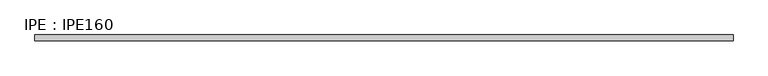
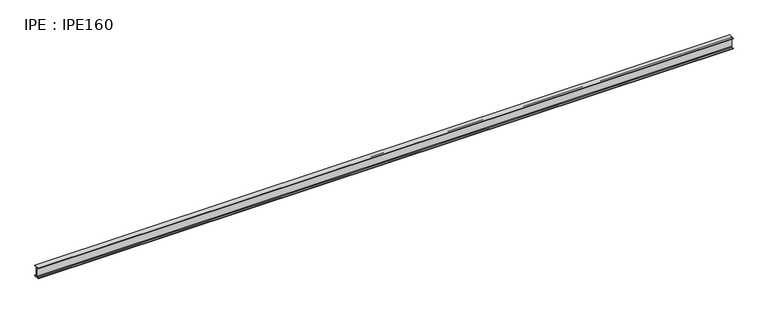
"""IFC4 building model written with IfcOpenShell, lengths in millimetres: beam geometry, IPE : IPE160."""

import ifcopenshell
import ifcopenshell.guid

model = None  # the IFC model being written
_history = None  # IfcOwnerHistory: only IFC2X3 demands one
_inside = {}  # id of a spatial element -> (the spatial element, [elements in it])
_under = {}  # id of a project, library or spatial element -> (it, [spatial elements below it])
_declared = {}  # id of a project -> (the project, [libraries it declares])
_typed = {}  # id of a type object -> (the type object, [elements of that type])
_made_of = {}  # id of a material, layer set ... -> (it, [elements and type objects made of it])


def new_model(schema):
    """Start an empty IFC model of exactly this schema.

    Asked for "IFC4X3", IfcOpenShell would pick the latest addendum, in which some entities
    have other attributes; the version numbers below select the first issue.
    IFC2X3 requires an IfcOwnerHistory on every rooted entity: one is made here for all.
    """
    global model, _history
    if schema == "IFC4X3":
        model = ifcopenshell.file(schema_version=(4, 3, 0, 0))
    else:
        model = ifcopenshell.file(schema=schema)
    _inside.clear()
    _under.clear()
    _declared.clear()
    _typed.clear()
    _made_of.clear()
    _history = None
    if model.schema == "IFC2X3":
        org = make("IfcOrganization", Name="unknown")
        user = make(
            "IfcPersonAndOrganization",
            ThePerson=make("IfcPerson", FamilyName="unknown"),
            TheOrganization=org,
        )
        app = make(
            "IfcApplication",
            ApplicationDeveloper=org,
            Version="unknown",
            ApplicationFullName="unknown",
            ApplicationIdentifier="unknown",
        )
        _history = make(
            "IfcOwnerHistory",
            OwningUser=user,
            OwningApplication=app,
            ChangeAction="ADDED",
            CreationDate=0,
        )
    return model


def make(cls, **values):
    """One entity of the class cls with the attributes given. An attribute that is None is left unset."""
    return model.create_entity(
        cls, **{name: value for name, value in values.items() if value is not None}
    )


def rooted(cls, **values):
    """An entity with a GlobalId (a new one), such as an element, a storey or a relation."""
    return make(cls, GlobalId=ifcopenshell.guid.new(), OwnerHistory=_history, **values)


def si_unit(unit_type, name, prefix=None):
    """IfcSIUnit, for example si_unit("LENGTHUNIT", "METRE", prefix="MILLI")."""
    return make("IfcSIUnit", UnitType=unit_type, Prefix=prefix, Name=name)


def assignment(units):
    """IfcUnitAssignment: the units of a project."""
    return None if units is None else make("IfcUnitAssignment", Units=units)


def point(xyz):
    """IfcCartesianPoint."""
    return None if xyz is None else make("IfcCartesianPoint", Coordinates=xyz)


def direction(xyz):
    """IfcDirection."""
    return None if xyz is None else make("IfcDirection", DirectionRatios=xyz)


def frame(location, z_axis=None, x_axis=None):
    """IfcAxis2Placement3D, a coordinate frame: its origin and axes. An axis left out is left unset."""
    return make(
        "IfcAxis2Placement3D",
        Location=point(location),
        Axis=direction(z_axis),
        RefDirection=direction(x_axis),
    )


def frame_2d(location, x_axis=None):
    """IfcAxis2Placement2D, a coordinate frame in the plane: its origin and x axis."""
    return make(
        "IfcAxis2Placement2D", Location=point(location), RefDirection=direction(x_axis)
    )


def origin():
    """The frame at (0, 0, 0) with its axes left unset."""
    return frame((0.0, 0.0, 0.0))


def place(relative_to, where):
    """IfcLocalPlacement: puts the frame where relative to a parent placement (None: the world)."""
    return make(
        "IfcLocalPlacement", PlacementRelTo=relative_to, RelativePlacement=where
    )


def context(
    kind, dimensions, precision=None, world=None, true_north=None, identifier=None
):
    """IfcGeometricRepresentationContext, for example the 3D "Model" context."""
    return make(
        "IfcGeometricRepresentationContext",
        ContextIdentifier=identifier,
        ContextType=kind,
        CoordinateSpaceDimension=dimensions,
        Precision=precision,
        WorldCoordinateSystem=world,
        TrueNorth=true_north,
    )


def project(units=None, contexts=None):
    """IfcProject with its units and contexts."""
    return rooted(
        "IfcProject",
        Name="project",
        RepresentationContexts=contexts,
        UnitsInContext=assignment(units),
    )


def spatial(cls, under=None, at=None, **own):
    """A site, building, storey or space (cls), placed at a placement, below another one or the project."""
    s = rooted(cls, ObjectPlacement=at, **own)
    if under is not None:
        _under.setdefault(under.id(), (under, []))[1].append(s)
    return s


def polyline(points):
    """IfcPolyline through the points."""
    return make("IfcPolyline", Points=[point(p) for p in points])


def circle_curve(where, radius):
    """IfcCircle in the frame where."""
    return make("IfcCircle", Position=where, Radius=radius)


def trimmed(basis, trim1, trim2, sense, master):
    """IfcTrimmedCurve: the piece of a basis curve between two trims."""
    return make(
        "IfcTrimmedCurve",
        BasisCurve=basis,
        Trim1=trim1,
        Trim2=trim2,
        SenseAgreement=sense,
        MasterRepresentation=master,
    )


def segment(curve, same_sense, transition):
    """IfcCompositeCurveSegment."""
    return make(
        "IfcCompositeCurveSegment",
        Transition=transition,
        SameSense=same_sense,
        ParentCurve=curve,
    )


def composite_curve(segments, self_intersect=None):
    """IfcCompositeCurve: segments joined end to end."""
    return make("IfcCompositeCurve", Segments=segments, SelfIntersect=self_intersect)


def outline(outer, holes=None, kind="AREA"):
    """IfcArbitraryClosedProfileDef: a profile drawn as a closed curve; with holes, ...WithVoids."""
    if holes is None:
        return make("IfcArbitraryClosedProfileDef", ProfileType=kind, OuterCurve=outer)
    return make(
        "IfcArbitraryProfileDefWithVoids",
        ProfileType=kind,
        OuterCurve=outer,
        InnerCurves=holes,
    )


def extrude(swept, where, along, depth):
    """IfcExtrudedAreaSolid: the profile swept, set in the frame where, extruded along a direction by depth."""
    return make(
        "IfcExtrudedAreaSolid",
        SweptArea=swept,
        Position=where,
        ExtrudedDirection=direction(along),
        Depth=depth,
    )


def shape(context_of_items, identifier, shape_type, items):
    """IfcShapeRepresentation: the items that make up one representation, for example the "Body"."""
    return make(
        "IfcShapeRepresentation",
        ContextOfItems=context_of_items,
        RepresentationIdentifier=identifier,
        RepresentationType=shape_type,
        Items=items,
    )


def source(mapping_origin, context_of_items, identifier, shape_type, items):
    """IfcRepresentationMap: a shape defined once, which mapped items show again and again."""
    return make(
        "IfcRepresentationMap",
        MappingOrigin=mapping_origin,
        MappedRepresentation=shape(context_of_items, identifier, shape_type, items),
    )


def transform(
    local_origin,
    x_axis=None,
    y_axis=None,
    z_axis=None,
    scale=None,
    scale2=None,
    scale3=None,
    uniform=True,
):
    """IfcCartesianTransformationOperator3D, or its non-uniform kind. x_axis, y_axis, z_axis: its Axis1, 2, 3."""
    if uniform:
        return make(
            "IfcCartesianTransformationOperator3D",
            Axis1=direction(x_axis),
            Axis2=direction(y_axis),
            LocalOrigin=point(local_origin),
            Scale=scale,
            Axis3=direction(z_axis),
        )
    return make(
        "IfcCartesianTransformationOperator3DnonUniform",
        Axis1=direction(x_axis),
        Axis2=direction(y_axis),
        LocalOrigin=point(local_origin),
        Scale=scale,
        Axis3=direction(z_axis),
        Scale2=scale2,
        Scale3=scale3,
    )


def mapped(mapping_source, mapping_target):
    """IfcMappedItem: shows the shape of a source again, moved by a transform."""
    return make(
        "IfcMappedItem", MappingSource=mapping_source, MappingTarget=mapping_target
    )


def made_of(thing, what):
    """Note that an element or type object is made of a material, layer set ...; save() writes the relation."""
    if what is not None:
        _made_of.setdefault(what.id(), (what, []))[1].append(thing)
    return thing


def element(
    cls,
    number,
    at=None,
    inside=None,
    cuts=None,
    type_object=None,
    material=None,
    context=None,
    identifier="Body",
    shape_type=None,
    held_by="IfcProductDefinitionShape",
    body=None,
    shapes=None,
    **own,
):
    """One element of the class cls, such as IfcWall. Its Tag is "e" and its number.

    at: its placement. inside: the storey or other place that contains it. cuts: it is an
    opening in that element (IfcRelVoidsElement). A single representation is given by context,
    identifier, shape_type and body (its items); several are given by shapes. held_by: the class
    of the entity that holds the representations. save() writes the other relations.
    """
    e = rooted(cls, Tag="e%d" % number, ObjectPlacement=at, **own)
    if body is not None:
        shapes = [shape(context, identifier, shape_type, body)]
    if shapes is not None:
        e.Representation = make(held_by, Representations=shapes)
    if inside is not None:
        _inside.setdefault(inside.id(), (inside, []))[1].append(e)
    if cuts is not None:
        rooted(
            "IfcRelVoidsElement", RelatingBuildingElement=cuts, RelatedOpeningElement=e
        )
    if type_object is not None:
        _typed.setdefault(type_object.id(), (type_object, []))[1].append(e)
    return made_of(e, material)


def aggregate(whole, parts):
    """IfcRelAggregates: a whole, such as a stair, and the parts it consists of."""
    return rooted("IfcRelAggregates", RelatingObject=whole, RelatedObjects=parts)


def save(model, path):
    """Write the relations noted so far, then the file.

    IfcRelAggregates (storeys below a building ...), IfcRelContainedInSpatialStructure (elements
    in a storey), IfcRelDefinesByType, IfcRelAssociatesMaterial and IfcRelDeclares: one each for
    every whole, place, type object, material and project.
    """
    for whole, parts in _under.values():
        aggregate(whole, parts)
    for where, things in _inside.values():
        rooted(
            "IfcRelContainedInSpatialStructure",
            RelatedElements=things,
            RelatingStructure=where,
        )
    for kind, things in _typed.values():
        rooted("IfcRelDefinesByType", RelatedObjects=things, RelatingType=kind)
    for what, things in _made_of.values():
        rooted("IfcRelAssociatesMaterial", RelatedObjects=things, RelatingMaterial=what)
    for by, libraries in _declared.values():
        rooted("IfcRelDeclares", RelatingContext=by, RelatedDefinitions=libraries)
    model.write(path)


def ipe_ipe160_f4f9e5f3(model_context):
    return source(origin(), model_context, "Body", "SweptSolid", [
        extrude(outline(composite_curve([segment(polyline([(41.0, -72.6), (41.0, -80.0), (-41.0, -80.0), (-41.0, -72.6), (-11.5, -72.6)]), True, "CONTINUOUS"), segment(trimmed(circle_curve(frame_2d((-11.5, -63.6)), 9.0), [point((-11.5, -72.6))], [point((-2.5, -63.6))], True, "CARTESIAN"), True, "CONTINUOUS"), segment(polyline([(-2.5, -63.6), (-2.5, 63.6)]), True, "CONTINUOUS"), segment(trimmed(circle_curve(frame_2d((-11.5, 63.6)), 9.0), [point((-2.5, 63.6))], [point((-11.5, 72.6))], True, "CARTESIAN"), True, "CONTINUOUS"), segment(polyline([(-11.5, 72.6), (-41.0, 72.6), (-41.0, 80.0), (41.0, 80.0), (41.0, 72.6), (11.5, 72.6)]), True, "CONTINUOUS"), segment(trimmed(circle_curve(frame_2d((11.5, 63.6)), 9.0), [point((11.5, 72.6))], [point((2.5, 63.6))], True, "CARTESIAN"), True, "CONTINUOUS"), segment(polyline([(2.5, 63.6), (2.5, -63.6)]), True, "CONTINUOUS"), segment(trimmed(circle_curve(frame_2d((11.5, -63.6)), 9.0), [point((2.5, -63.6))], [point((11.5, -72.6))], True, "CARTESIAN"), True, "CONTINUOUS"), segment(polyline([(11.5, -72.6), (41.0, -72.6)]), True, "CONTINUOUS")], self_intersect=False)), frame((-4987.2, 0.0, 0.0), z_axis=(1.0, 0.0, 0.0), x_axis=(0.0, 1.0, 0.0)), (0.0, 0.0, 1.0), 9974.4),
    ])


if __name__ == "__main__":
    model = new_model("IFC4")
    model_context = context("Model", 3, world=origin())
    ifc_project = project(units=[si_unit("LENGTHUNIT", "METRE", prefix="MILLI")], contexts=[model_context])
    site = spatial("IfcSite", under=ifc_project)
    building = spatial("IfcBuilding", under=site)
    placement = place(None, origin())
    ipe_ipe160_shape = ipe_ipe160_f4f9e5f3(model_context)
    element("IfcBeam", 1, ObjectType="IPE : IPE160", at=placement, inside=building, context=model_context, shape_type="MappedRepresentation", body=[
        mapped(ipe_ipe160_shape, transform((0.0, 0.0, 0.0), x_axis=(1.0, 0.0, 0.0), y_axis=(0.0, 1.0, 0.0), z_axis=(0.0, 0.0, 1.0))),
    ])
    save(model, "model.ifc")
